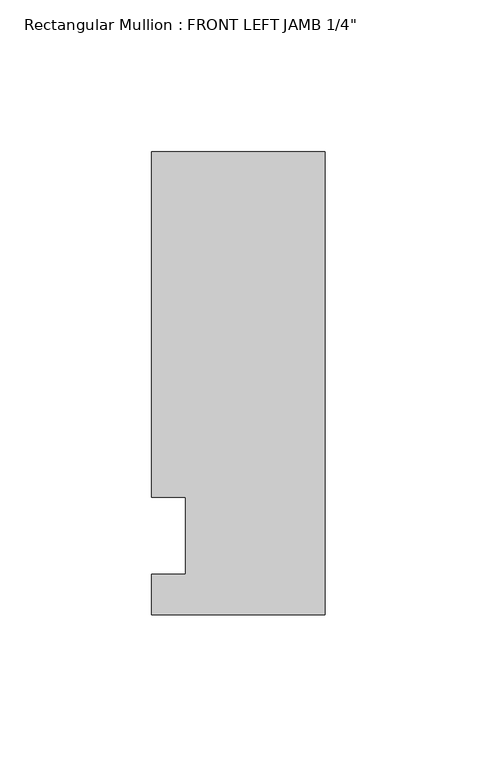
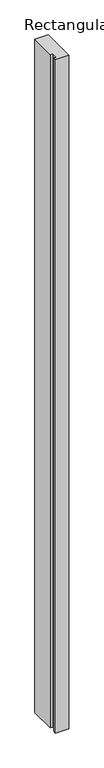
"""IFC4 building model written with IfcOpenShell, lengths in millimetres: member geometry."""

from ifc_helpers import new_model, si_unit, frame, origin, place, context, project, spatial, polyline, outline, extrude, source, transform, mapped, element, save


def member_30ae1227(model_context):
    return source(origin(), model_context, "Body", "SweptSolid", [
        extrude(outline(polyline([(-57.15, -32.2460937), (-57.15, -19.0507937), (-46.0375, -19.0507937), (-46.0375, 6.3492063), (-57.15, 6.3492063), (-57.15, 120.1539063), (0.0, 120.1539062), (0.0, -32.2460938), (-57.15, -32.2460937)])), frame((0.0, 0.0, -3048.0), z_axis=(0.0, 0.0, 1.0), x_axis=(1.0, 0.0, 0.0)), (0.0, 0.0, 1.0), 3048.0),
    ])


if __name__ == "__main__":
    model = new_model("IFC4")
    model_context = context("Model", 3, world=origin())
    ifc_project = project(units=[si_unit("LENGTHUNIT", "METRE", prefix="MILLI")], contexts=[model_context])
    site = spatial("IfcSite", under=ifc_project)
    building = spatial("IfcBuilding", under=site)
    placement = place(None, origin())
    member_shape = member_30ae1227(model_context)
    element("IfcMember", 1, ObjectType="Rectangular Mullion : FRONT LEFT JAMB 1/4\"", at=placement, inside=building, context=model_context, shape_type="MappedRepresentation", body=[
        mapped(member_shape, transform((0.0, 0.0, 0.0), x_axis=(1.0, 0.0, 0.0), y_axis=(0.0, 1.0, 0.0), z_axis=(0.0, 0.0, 1.0))),
    ])
    save(model, "model.ifc")
